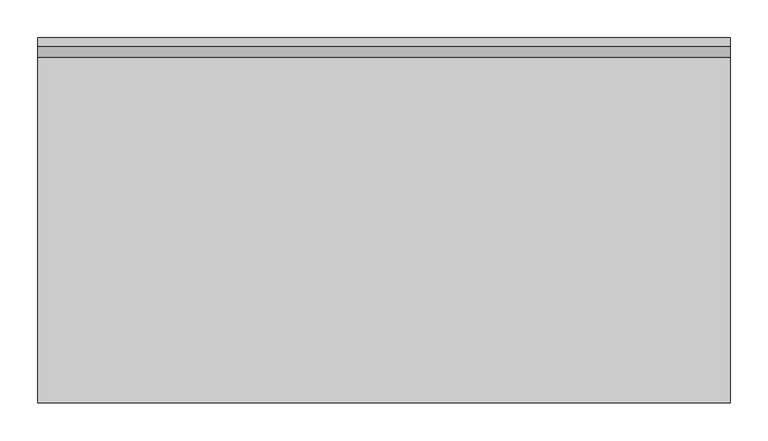
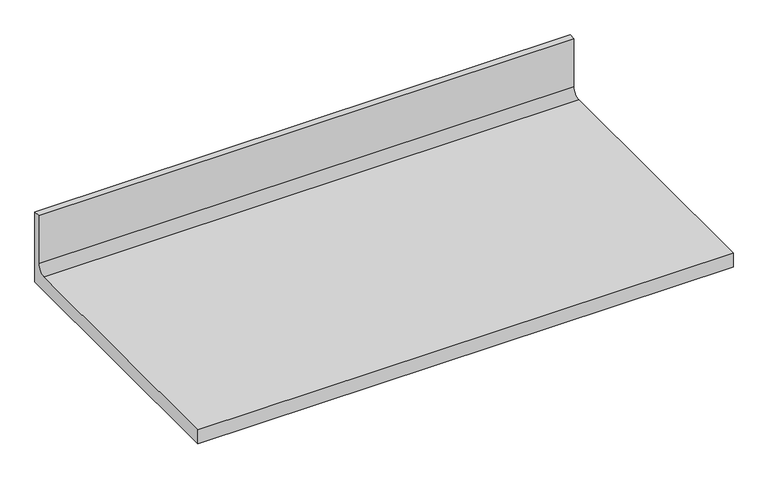
"""IFC4 building model written with IfcOpenShell, lengths in millimetres: furniture geometry."""

from ifc_helpers import new_model, si_unit, point, frame, frame_2d, origin, place, context, project, spatial, polyline, circle_curve, trimmed, segment, composite_curve, outline, extrude, source, transform, mapped, element, save


def furniture_3371f9d3(model_context):
    return source(origin(), model_context, "Body", "SweptSolid", [
        extrude(outline(composite_curve([segment(polyline([(0.0, 889.0), (-482.6, 889.0), (-482.6, 914.4), (-25.8191, 914.4)]), True, "CONTINUOUS"), segment(trimmed(circle_curve(frame_2d((-25.8191, 929.1066)), 14.7066), [point((-25.8191, 914.4))], [point((-11.1125, 929.1066))], True, "CARTESIAN"), True, "CONTINUOUS"), segment(polyline([(-11.1125, 929.1066), (-11.1125, 1016.0), (0.0, 1016.0), (0.0, 889.0)]), True, "CONTINUOUS")], self_intersect=False)), frame((0.0, 0.0, 0.0), z_axis=(1.0, 0.0, 0.0), x_axis=(0.0, 1.0, 0.0)), (0.0, 0.0, 1.0), 914.4),
    ])


if __name__ == "__main__":
    model = new_model("IFC4")
    model_context = context("Model", 3, world=origin())
    ifc_project = project(units=[si_unit("LENGTHUNIT", "METRE", prefix="MILLI")], contexts=[model_context])
    site = spatial("IfcSite", under=ifc_project)
    building = spatial("IfcBuilding", under=site)
    placement = place(None, origin())
    furniture_shape = furniture_3371f9d3(model_context)
    element("IfcFurniture", 1, at=placement, inside=building, context=model_context, shape_type="MappedRepresentation", body=[
        mapped(furniture_shape, transform((0.0, 0.0, 0.0), x_axis=(1.0, 0.0, 0.0), y_axis=(0.0, 1.0, 0.0), z_axis=(0.0, 0.0, 1.0))),
    ])
    save(model, "model.ifc")
